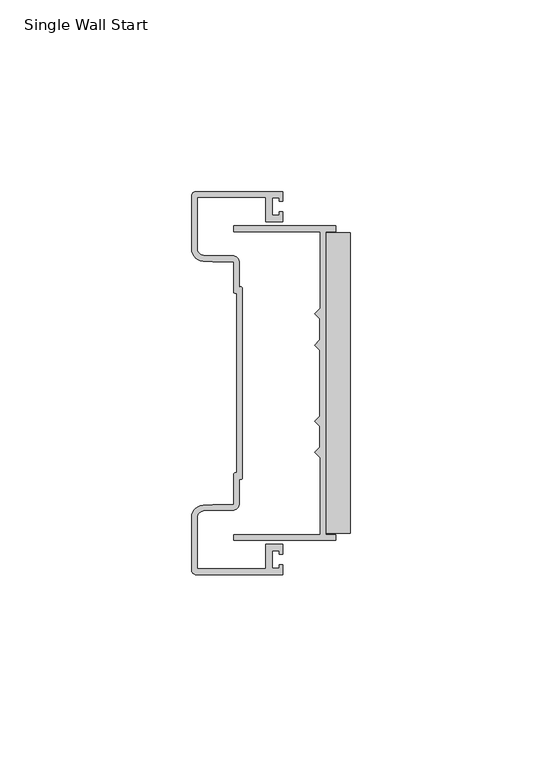
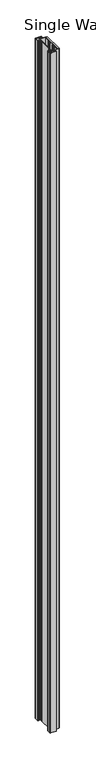
"""IFC4 building model written with IfcOpenShell, lengths in millimetres: proxy geometry, Single Wall Start."""

import ifcopenshell
import ifcopenshell.guid

model = None  # the IFC model being written
_history = None  # IfcOwnerHistory: only IFC2X3 demands one
_inside = {}  # id of a spatial element -> (the spatial element, [elements in it])
_under = {}  # id of a project, library or spatial element -> (it, [spatial elements below it])
_declared = {}  # id of a project -> (the project, [libraries it declares])
_typed = {}  # id of a type object -> (the type object, [elements of that type])
_made_of = {}  # id of a material, layer set ... -> (it, [elements and type objects made of it])


def new_model(schema):
    """Start an empty IFC model of exactly this schema.

    Asked for "IFC4X3", IfcOpenShell would pick the latest addendum, in which some entities
    have other attributes; the version numbers below select the first issue.
    IFC2X3 requires an IfcOwnerHistory on every rooted entity: one is made here for all.
    """
    global model, _history
    if schema == "IFC4X3":
        model = ifcopenshell.file(schema_version=(4, 3, 0, 0))
    else:
        model = ifcopenshell.file(schema=schema)
    _inside.clear()
    _under.clear()
    _declared.clear()
    _typed.clear()
    _made_of.clear()
    _history = None
    if model.schema == "IFC2X3":
        org = make("IfcOrganization", Name="unknown")
        user = make(
            "IfcPersonAndOrganization",
            ThePerson=make("IfcPerson", FamilyName="unknown"),
            TheOrganization=org,
        )
        app = make(
            "IfcApplication",
            ApplicationDeveloper=org,
            Version="unknown",
            ApplicationFullName="unknown",
            ApplicationIdentifier="unknown",
        )
        _history = make(
            "IfcOwnerHistory",
            OwningUser=user,
            OwningApplication=app,
            ChangeAction="ADDED",
            CreationDate=0,
        )
    return model


def make(cls, **values):
    """One entity of the class cls with the attributes given. An attribute that is None is left unset."""
    return model.create_entity(
        cls, **{name: value for name, value in values.items() if value is not None}
    )


def rooted(cls, **values):
    """An entity with a GlobalId (a new one), such as an element, a storey or a relation."""
    return make(cls, GlobalId=ifcopenshell.guid.new(), OwnerHistory=_history, **values)


def si_unit(unit_type, name, prefix=None):
    """IfcSIUnit, for example si_unit("LENGTHUNIT", "METRE", prefix="MILLI")."""
    return make("IfcSIUnit", UnitType=unit_type, Prefix=prefix, Name=name)


def assignment(units):
    """IfcUnitAssignment: the units of a project."""
    return None if units is None else make("IfcUnitAssignment", Units=units)


def point(xyz):
    """IfcCartesianPoint."""
    return None if xyz is None else make("IfcCartesianPoint", Coordinates=xyz)


def direction(xyz):
    """IfcDirection."""
    return None if xyz is None else make("IfcDirection", DirectionRatios=xyz)


def frame(location, z_axis=None, x_axis=None):
    """IfcAxis2Placement3D, a coordinate frame: its origin and axes. An axis left out is left unset."""
    return make(
        "IfcAxis2Placement3D",
        Location=point(location),
        Axis=direction(z_axis),
        RefDirection=direction(x_axis),
    )


def origin():
    """The frame at (0, 0, 0) with its axes left unset."""
    return frame((0.0, 0.0, 0.0))


def origin_with_axes():
    """The frame at (0, 0, 0) with the z axis (0, 0, 1) and the x axis (1, 0, 0) written out."""
    return frame((0.0, 0.0, 0.0), z_axis=(0.0, 0.0, 1.0), x_axis=(1.0, 0.0, 0.0))


def place(relative_to, where):
    """IfcLocalPlacement: puts the frame where relative to a parent placement (None: the world)."""
    return make(
        "IfcLocalPlacement", PlacementRelTo=relative_to, RelativePlacement=where
    )


def context(
    kind, dimensions, precision=None, world=None, true_north=None, identifier=None
):
    """IfcGeometricRepresentationContext, for example the 3D "Model" context."""
    return make(
        "IfcGeometricRepresentationContext",
        ContextIdentifier=identifier,
        ContextType=kind,
        CoordinateSpaceDimension=dimensions,
        Precision=precision,
        WorldCoordinateSystem=world,
        TrueNorth=true_north,
    )


def project(units=None, contexts=None):
    """IfcProject with its units and contexts."""
    return rooted(
        "IfcProject",
        Name="project",
        RepresentationContexts=contexts,
        UnitsInContext=assignment(units),
    )


def spatial(cls, under=None, at=None, **own):
    """A site, building, storey or space (cls), placed at a placement, below another one or the project."""
    s = rooted(cls, ObjectPlacement=at, **own)
    if under is not None:
        _under.setdefault(under.id(), (under, []))[1].append(s)
    return s


def polyline(points):
    """IfcPolyline through the points."""
    return make("IfcPolyline", Points=[point(p) for p in points])


def circle_curve(where, radius):
    """IfcCircle in the frame where."""
    return make("IfcCircle", Position=where, Radius=radius)


def outline(outer, holes=None, kind="AREA"):
    """IfcArbitraryClosedProfileDef: a profile drawn as a closed curve; with holes, ...WithVoids."""
    if holes is None:
        return make("IfcArbitraryClosedProfileDef", ProfileType=kind, OuterCurve=outer)
    return make(
        "IfcArbitraryProfileDefWithVoids",
        ProfileType=kind,
        OuterCurve=outer,
        InnerCurves=holes,
    )


def extrude(swept, where, along, depth):
    """IfcExtrudedAreaSolid: the profile swept, set in the frame where, extruded along a direction by depth."""
    return make(
        "IfcExtrudedAreaSolid",
        SweptArea=swept,
        Position=where,
        ExtrudedDirection=direction(along),
        Depth=depth,
    )


def faces_of(points, faces, orient=None, outer=None):
    """IfcFace entities. A face is a list of loops; a loop is a list of indices into points, from 0.

    orient and outer hold one flag for each loop. By default every Orientation is true, the
    first loop of a face is its IfcFaceOuterBound and the others are IfcFaceBound.
    """
    made = []
    for i, loops in enumerate(faces):
        bounds = []
        for j, loop in enumerate(loops):
            is_outer = j == 0 if outer is None else outer[i][j]
            bounds.append(
                make(
                    "IfcFaceOuterBound" if is_outer else "IfcFaceBound",
                    Bound=make("IfcPolyLoop", Polygon=[points[k] for k in loop]),
                    Orientation=True if orient is None else orient[i][j],
                )
            )
        made.append(make("IfcFace", Bounds=bounds))
    return made


def faceted_brep(points, faces, orient=None, outer=None, voids=None):
    """IfcFacetedBrep: a solid bounded by flat faces; with voids (closed shells), ...WithVoids."""
    shared = [point(p) for p in points]
    hull = make("IfcClosedShell", CfsFaces=faces_of(shared, faces, orient, outer))
    if voids is None:
        return make("IfcFacetedBrep", Outer=hull)
    return make(
        "IfcFacetedBrepWithVoids",
        Outer=hull,
        Voids=[
            make(cls, CfsFaces=faces_of(shared, fs, o, b)) for cls, fs, o, b in voids
        ],
    )


def shape(context_of_items, identifier, shape_type, items):
    """IfcShapeRepresentation: the items that make up one representation, for example the "Body"."""
    return make(
        "IfcShapeRepresentation",
        ContextOfItems=context_of_items,
        RepresentationIdentifier=identifier,
        RepresentationType=shape_type,
        Items=items,
    )


def source(mapping_origin, context_of_items, identifier, shape_type, items):
    """IfcRepresentationMap: a shape defined once, which mapped items show again and again."""
    return make(
        "IfcRepresentationMap",
        MappingOrigin=mapping_origin,
        MappedRepresentation=shape(context_of_items, identifier, shape_type, items),
    )


def transform(
    local_origin,
    x_axis=None,
    y_axis=None,
    z_axis=None,
    scale=None,
    scale2=None,
    scale3=None,
    uniform=True,
):
    """IfcCartesianTransformationOperator3D, or its non-uniform kind. x_axis, y_axis, z_axis: its Axis1, 2, 3."""
    if uniform:
        return make(
            "IfcCartesianTransformationOperator3D",
            Axis1=direction(x_axis),
            Axis2=direction(y_axis),
            LocalOrigin=point(local_origin),
            Scale=scale,
            Axis3=direction(z_axis),
        )
    return make(
        "IfcCartesianTransformationOperator3DnonUniform",
        Axis1=direction(x_axis),
        Axis2=direction(y_axis),
        LocalOrigin=point(local_origin),
        Scale=scale,
        Axis3=direction(z_axis),
        Scale2=scale2,
        Scale3=scale3,
    )


def mapped(mapping_source, mapping_target):
    """IfcMappedItem: shows the shape of a source again, moved by a transform."""
    return make(
        "IfcMappedItem", MappingSource=mapping_source, MappingTarget=mapping_target
    )


def made_of(thing, what):
    """Note that an element or type object is made of a material, layer set ...; save() writes the relation."""
    if what is not None:
        _made_of.setdefault(what.id(), (what, []))[1].append(thing)
    return thing


def element(
    cls,
    number,
    at=None,
    inside=None,
    cuts=None,
    type_object=None,
    material=None,
    context=None,
    identifier="Body",
    shape_type=None,
    held_by="IfcProductDefinitionShape",
    body=None,
    shapes=None,
    **own,
):
    """One element of the class cls, such as IfcWall. Its Tag is "e" and its number.

    at: its placement. inside: the storey or other place that contains it. cuts: it is an
    opening in that element (IfcRelVoidsElement). A single representation is given by context,
    identifier, shape_type and body (its items); several are given by shapes. held_by: the class
    of the entity that holds the representations. save() writes the other relations.
    """
    e = rooted(cls, Tag="e%d" % number, ObjectPlacement=at, **own)
    if body is not None:
        shapes = [shape(context, identifier, shape_type, body)]
    if shapes is not None:
        e.Representation = make(held_by, Representations=shapes)
    if inside is not None:
        _inside.setdefault(inside.id(), (inside, []))[1].append(e)
    if cuts is not None:
        rooted(
            "IfcRelVoidsElement", RelatingBuildingElement=cuts, RelatedOpeningElement=e
        )
    if type_object is not None:
        _typed.setdefault(type_object.id(), (type_object, []))[1].append(e)
    return made_of(e, material)


def aggregate(whole, parts):
    """IfcRelAggregates: a whole, such as a stair, and the parts it consists of."""
    return rooted("IfcRelAggregates", RelatingObject=whole, RelatedObjects=parts)


def save(model, path):
    """Write the relations noted so far, then the file.

    IfcRelAggregates (storeys below a building ...), IfcRelContainedInSpatialStructure (elements
    in a storey), IfcRelDefinesByType, IfcRelAssociatesMaterial and IfcRelDeclares: one each for
    every whole, place, type object, material and project.
    """
    for whole, parts in _under.values():
        aggregate(whole, parts)
    for where, things in _inside.values():
        rooted(
            "IfcRelContainedInSpatialStructure",
            RelatedElements=things,
            RelatingStructure=where,
        )
    for kind, things in _typed.values():
        rooted("IfcRelDefinesByType", RelatedObjects=things, RelatingType=kind)
    for what, things in _made_of.values():
        rooted("IfcRelAssociatesMaterial", RelatedObjects=things, RelatingMaterial=what)
    for by, libraries in _declared.values():
        rooted("IfcRelDeclares", RelatingContext=by, RelatedDefinitions=libraries)
    model.write(path)


def plane_surface(at):
    """IfcPlane: the flat surface through the origin of the frame at, square to its z axis."""
    return make("IfcPlane", Position=at)


def cylinder_surface(at, radius):
    """IfcCylindricalSurface: all points at the distance radius from the z axis of the frame at."""
    return make("IfcCylindricalSurface", Position=at, Radius=radius)


def revolved_surface(curve, axis_point, axis_direction):
    """IfcSurfaceOfRevolution: the curve turned about the line through axis_point along axis_direction."""
    return make(
        "IfcSurfaceOfRevolution",
        SweptCurve=make("IfcArbitraryOpenProfileDef", ProfileType="CURVE", Curve=curve),
        AxisPosition=make("IfcAxis1Placement", Location=point(axis_point), Axis=direction(axis_direction)),
    )


def advanced_brep(points, edges, surfaces, faces):
    """IfcAdvancedBrep: a solid bounded by faces that lie on surfaces and meet in shared edges.

    An edge is (start, end): straight between two places in points (the first is 0);
    or (start, end, curve); or (start, end, curve, False) where it runs against its curve.
    A face is (place in surfaces, loops), or (place, loops, False) where it looks against
    its surface's normal. A loop lists edges by number (the first is 1), with a minus sign
    where the edge is run from its end to its start. The first loop is the outer one.
    """
    corners = [point(p) for p in points]
    vertices = [make("IfcVertexPoint", VertexGeometry=c) for c in corners]
    made = []
    for start, end, *more in edges:
        made.append(
            make(
                "IfcEdgeCurve",
                EdgeStart=vertices[start],
                EdgeEnd=vertices[end],
                EdgeGeometry=more[0] if more else make("IfcPolyline", Points=[corners[start], corners[end]]),
                SameSense=more[1] if len(more) > 1 else True,
            )
        )
    hull = []
    for where, loops, *sense in faces:
        bounds = []
        for j, loop in enumerate(loops):
            ring = [make("IfcOrientedEdge", EdgeElement=made[abs(k) - 1], Orientation=k > 0) for k in loop]
            bounds.append(
                make(
                    "IfcFaceOuterBound" if j == 0 else "IfcFaceBound",
                    Bound=make("IfcEdgeLoop", EdgeList=ring),
                    Orientation=True,
                )
            )
        hull.append(make("IfcAdvancedFace", Bounds=bounds, FaceSurface=surfaces[where], SameSense=sense[0] if sense else True))
    return make("IfcAdvancedBrep", Outer=make("IfcClosedShell", CfsFaces=hull))


def single_wall_start_cac659fe(model_context):
    return source(origin(), model_context, "Body", "SolidModel", [
        faceted_brep([(13.6393292, 41.0591035, 2743.2), (-13.0348006, 41.0591035, 2743.2), (-13.0348006, 39.5350959, 2743.2), (9.5712006, 39.5350959, 2743.2), (9.5712006, 19.5261519, 2743.2), (8.1107021, 18.0656484, 2743.2), (9.4442006, 16.73215, 2743.2), (9.4442006, 11.2711507, 2743.2), (8.1106995, 9.9376497, 2743.2), (9.4442006, 8.6041487, 2743.2), (9.4442006, -8.6041487, 2743.2), (8.1106995, -9.9376497, 2743.2), (9.4442006, -11.2711507, 2743.2), (9.4442006, -16.73215, 2743.2), (8.1107021, -18.0656484, 2743.2), (9.5712006, -19.5261519, 2743.2), (9.5712006, -39.5350959, 2743.2), (-13.0348006, -39.5350959, 2743.2), (-13.0348006, -41.0591035, 2743.2), (13.6393292, -41.0591035, 2743.2), (13.6393292, -39.5350959, 2743.2), (11.0952006, -39.5350959, 2743.2), (11.0952006, 39.5350959, 2743.2), (13.6393292, 39.5350959, 2743.2), (13.6393292, 41.0591035, 0.0), (13.6393292, 39.5350959, 0.0), (11.0952006, 39.5350959, 0.0), (11.0952006, -39.5350959, 0.0), (13.6393292, -39.5350959, 0.0), (13.6393292, -41.0591035, 0.0), (-13.0348006, -41.0591035, 0.0), (-13.0348006, -39.5350959, 0.0), (9.5712006, -39.5350959, 0.0), (9.5712006, -19.5261519, 0.0), (8.1107021, -18.0656484, 0.0), (9.4442006, -16.73215, 0.0), (9.4442006, -11.2711507, 0.0), (8.1106995, -9.9376497, 0.0), (9.4442006, -8.6041487, 0.0), (9.4442006, 8.6041487, 0.0), (8.1106995, 9.9376497, 0.0), (9.4442006, 11.2711507, 0.0), (9.4442006, 16.73215, 0.0), (8.1107021, 18.0656484, 0.0), (9.5712006, 19.5261519, 0.0), (9.5712006, 39.5350959, 0.0), (-13.0348006, 39.5350959, 0.0), (-13.0348006, 41.0591035, 0.0)], [[[0, 1, 2, 3, 4, 5, 6, 7, 8, 9, 10, 11, 12, 13, 14, 15, 16, 17, 18, 19, 20, 21, 22, 23]], [[24, 25, 26, 27, 28, 29, 30, 31, 32, 33, 34, 35, 36, 37, 38, 39, 40, 41, 42, 43, 44, 45, 46, 47]], [[23, 22, 26, 25]], [[0, 23, 25, 24]], [[1, 0, 24, 47]], [[2, 1, 47, 46]], [[3, 2, 46, 45]], [[4, 3, 45, 44]], [[5, 4, 44, 43]], [[6, 5, 43, 42]], [[7, 6, 42, 41]], [[8, 7, 41, 40]], [[9, 8, 40, 39]], [[10, 9, 39, 38]], [[11, 10, 38, 37]], [[12, 11, 37, 36]], [[13, 12, 36, 35]], [[14, 13, 35, 34]], [[15, 14, 34, 33]], [[16, 15, 33, 32]], [[17, 16, 32, 31]], [[18, 17, 31, 30]], [[19, 18, 30, 29]], [[20, 19, 29, 28]], [[21, 20, 28, 27]], [[22, 21, 27, 26]]]),
        advanced_brep(
        [(-22.7330004, 50.00625, 2743.2), (-24.0029992, 48.7362512, 2743.2), (-24.0029992, 35.0169033, 2743.2), (-20.9941667, 31.8462484, 2743.2), (-18.5165995, 31.7181494, 2743.2), (-13.0047993, 31.7181494, 2743.2), (-13.0047993, 23.8822496, 2743.2), (-12.2428, 23.5012499, 2743.2), (-12.2428, -23.5012499, 2743.2), (-13.0047993, -23.8822496, 2743.2), (-13.0047993, -31.7181494, 2743.2), (-18.5165995, -31.7181494, 2743.2), (-20.9941667, -31.8462484, 2743.2), (-24.0029992, -35.0169033, 2743.2), (-24.0029992, -48.7362512, 2743.2), (-22.7330004, -50.00625, 2743.2), (-0.1904992, -50.00625, 2743.2), (-0.1904992, -47.4662524, 2743.2), (-1.1647474, -47.4662524, 2743.2), (-1.1647474, -48.3552516, 2743.2), (-2.9845, -48.3552516, 2743.2), (-2.9845, -43.7867199, 2743.2), (-1.1647474, -43.7867199, 2743.2), (-1.1647474, -44.675719, 2743.2), (-0.1904992, -44.675719, 2743.2), (-0.1904992, -42.1322484, 2743.2), (-4.6354995, -42.1322484, 2743.2), (-4.6354995, -48.4822515, 2743.2), (-22.4790007, -48.4822515, 2743.2), (-22.4790007, -35.0168937, 2743.2), (-20.9144069, -33.3681576, 2743.2), (-18.5099479, -33.2421479, 2743.2), (-13.3857989, -33.2421479, 2743.2), (-11.4807988, -31.3371478, 2743.2), (-11.4807985, -25.0252485, 2743.2), (-10.7187992, -24.6442488, 2743.2), (-10.7187992, 24.6442488, 2743.2), (-11.4807985, 25.0252485, 2743.2), (-11.4807985, 31.3371478, 2743.2), (-13.3857989, 33.2421479, 2743.2), (-18.5099479, 33.2421479, 2743.2), (-20.9144069, 33.3681576, 2743.2), (-22.4790007, 35.0168937, 2743.2), (-22.4790007, 48.4822515, 2743.2), (-4.6354995, 48.4822515, 2743.2), (-4.6354995, 42.1322484, 2743.2), (-0.1904992, 42.1322484, 2743.2), (-0.1904992, 44.675719, 2743.2), (-1.1647474, 44.675719, 2743.2), (-1.1647474, 43.7867199, 2743.2), (-2.9845, 43.7867199, 2743.2), (-2.9845, 48.3552516, 2743.2), (-1.1647474, 48.3552516, 2743.2), (-1.1647474, 47.4662524, 2743.2), (-0.1904992, 47.4662524, 2743.2), (-0.1904992, 50.00625, 2743.2), (-22.7330004, 50.00625, 0.0), (-0.1904992, 50.00625, 0.0), (-0.1904992, 47.4662524, 0.0), (-1.1647474, 47.4662524, 0.0), (-1.1647474, 48.3552516, 0.0), (-2.9845, 48.3552516, 0.0), (-2.9845, 43.7867199, 0.0), (-1.1647474, 43.7867199, 0.0), (-1.1647474, 44.675719, 0.0), (-0.1904992, 44.675719, 0.0), (-0.1904992, 42.1322484, 0.0), (-4.6354995, 42.1322484, 0.0), (-4.6354995, 48.4822515, 0.0), (-22.4790007, 48.4822515, 0.0), (-22.4790007, 35.0168937, 0.0), (-20.9144069, 33.3681576, 0.0), (-18.5099479, 33.2421479, 0.0), (-13.3857989, 33.2421479, 0.0), (-11.4807988, 31.3371478, 0.0), (-11.4807985, 25.0252485, 0.0), (-10.7187992, 24.6442488, 0.0), (-10.7187992, -24.6442488, 0.0), (-11.4807985, -25.0252485, 0.0), (-11.4807985, -31.3371478, 0.0), (-13.3857989, -33.2421479, 0.0), (-18.5099479, -33.2421479, 0.0), (-20.9144069, -33.3681576, 0.0), (-22.4790007, -35.0168937, 0.0), (-22.4790007, -48.4822515, 0.0), (-4.6354995, -48.4822515, 0.0), (-4.6354995, -42.1322484, 0.0), (-0.1904992, -42.1322484, 0.0), (-0.1904992, -44.675719, 0.0), (-1.1647474, -44.675719, 0.0), (-1.1647474, -43.7867199, 0.0), (-2.9845, -43.7867199, 0.0), (-2.9845, -48.3552516, 0.0), (-1.1647474, -48.3552516, 0.0), (-1.1647474, -47.4662524, 0.0), (-0.1904992, -47.4662524, 0.0), (-0.1904992, -50.00625, 0.0), (-22.7330004, -50.00625, 0.0), (-24.0029992, -48.7362512, 0.0), (-24.0029992, -35.0169033, 0.0), (-20.9941667, -31.8462484, 0.0), (-18.5165995, -31.7181494, 0.0), (-13.0047993, -31.7181494, 0.0), (-13.0047993, -23.8822496, 0.0), (-12.2428, -23.5012499, 0.0), (-12.2428, 23.5012499, 0.0), (-13.0047993, 23.8822496, 0.0), (-13.0047993, 31.7181494, 0.0), (-18.5165995, 31.7181494, 0.0), (-20.9941667, 31.8462484, 0.0), (-24.0029992, 35.0169033, 0.0), (-24.0029992, 48.7362512, 0.0)],
        [
            (0, 1, circle_curve(frame((-22.7330004, 48.7362512, 2743.2), z_axis=(0.0, 0.0, 1.0), x_axis=(0.0, -1.0, 0.0)), 1.2699988)),
            (1, 2),
            (2, 3, circle_curve(frame((-20.721501, 35.11796, 2743.2), z_axis=(0.0, 0.0, 1.0), x_axis=(0.0, -1.0, 0.0)), 3.283054)),
            (3, 4),
            (4, 5),
            (5, 6),
            (6, 7, circle_curve(frame((-12.5285497, 23.8822496, 2743.2), z_axis=(0.0, 0.0, 1.0), x_axis=(0.0, -1.0, 0.0)), 0.4762495)),
            (7, 8),
            (8, 9, circle_curve(frame((-12.5285497, -23.8822496, 2743.2), z_axis=(0.0, 0.0, 1.0), x_axis=(0.0, -1.0, 0.0)), 0.4762495)),
            (9, 10),
            (10, 11),
            (11, 12),
            (12, 13, circle_curve(frame((-20.721501, -35.11796, 2743.2), z_axis=(0.0, 0.0, 1.0), x_axis=(0.0, -1.0, 0.0)), 3.283054)),
            (13, 14),
            (14, 15, circle_curve(frame((-22.7330004, -48.7362512, 2743.2), z_axis=(0.0, 0.0, 1.0), x_axis=(0.0, -1.0, 0.0)), 1.2699988)),
            (15, 16),
            (16, 17),
            (17, 18),
            (18, 19),
            (19, 20),
            (20, 21),
            (21, 22),
            (22, 23),
            (23, 24),
            (24, 25),
            (25, 26),
            (26, 27),
            (27, 28),
            (28, 29),
            (29, 30, circle_curve(frame((-20.8280021, -35.0168937, 2743.2), z_axis=(0.0, 0.0, -1.0), x_axis=(0.0, -1.0, 0.0)), 1.6509986)),
            (30, 31),
            (31, 32),
            (32, 33, circle_curve(frame((-13.3857989, -31.3371478, 2743.2), z_axis=(0.0, 0.0, 1.0), x_axis=(0.0, -1.0, 0.0)), 1.9050001)),
            (33, 34),
            (34, 35, circle_curve(frame((-11.1950487, -24.6442488, 2743.2), z_axis=(0.0, 0.0, 1.0), x_axis=(0.0, -1.0, 0.0)), 0.4762495)),
            (35, 36),
            (36, 37, circle_curve(frame((-11.1950487, 24.6442488, 2743.2), z_axis=(0.0, 0.0, 1.0), x_axis=(0.0, -1.0, 0.0)), 0.4762495)),
            (37, 38),
            (38, 39, circle_curve(frame((-13.3857989, 31.3371478, 2743.2), z_axis=(0.0, 0.0, 1.0), x_axis=(0.0, -1.0, 0.0)), 1.9050001)),
            (39, 40),
            (40, 41),
            (41, 42, circle_curve(frame((-20.8280021, 35.0168937, 2743.2), z_axis=(0.0, 0.0, -1.0), x_axis=(0.0, -1.0, 0.0)), 1.6509986)),
            (42, 43),
            (43, 44),
            (44, 45),
            (45, 46),
            (46, 47),
            (47, 48),
            (48, 49),
            (49, 50),
            (50, 51),
            (51, 52),
            (52, 53),
            (53, 54),
            (54, 55),
            (55, 0),
            (56, 57),
            (57, 58),
            (58, 59),
            (59, 60),
            (60, 61),
            (61, 62),
            (62, 63),
            (63, 64),
            (64, 65),
            (65, 66),
            (66, 67),
            (67, 68),
            (68, 69),
            (69, 70),
            (70, 71, circle_curve(frame((-20.8280021, 35.0168937, 0.0), z_axis=(0.0, 0.0, 1.0), x_axis=(0.0, -1.0, 0.0)), 1.6509986)),
            (71, 72),
            (72, 73),
            (73, 74, circle_curve(frame((-13.3857989, 31.3371478, 0.0), z_axis=(0.0, 0.0, -1.0), x_axis=(0.0, -1.0, 0.0)), 1.9050001)),
            (74, 75),
            (75, 76, circle_curve(frame((-11.1950487, 24.6442488, 0.0), z_axis=(0.0, 0.0, -1.0), x_axis=(0.0, -1.0, 0.0)), 0.4762495)),
            (76, 77),
            (77, 78, circle_curve(frame((-11.1950487, -24.6442488, 0.0), z_axis=(0.0, 0.0, -1.0), x_axis=(0.0, -1.0, 0.0)), 0.4762495)),
            (78, 79),
            (79, 80, circle_curve(frame((-13.3857989, -31.3371478, 0.0), z_axis=(0.0, 0.0, -1.0), x_axis=(0.0, -1.0, 0.0)), 1.9050001)),
            (80, 81),
            (81, 82),
            (82, 83, circle_curve(frame((-20.8280021, -35.0168937, 0.0), z_axis=(0.0, 0.0, 1.0), x_axis=(0.0, -1.0, 0.0)), 1.6509986)),
            (83, 84),
            (84, 85),
            (85, 86),
            (86, 87),
            (87, 88),
            (88, 89),
            (89, 90),
            (90, 91),
            (91, 92),
            (92, 93),
            (93, 94),
            (94, 95),
            (95, 96),
            (96, 97),
            (97, 98, circle_curve(frame((-22.7330004, -48.7362512, 0.0), z_axis=(0.0, 0.0, -1.0), x_axis=(0.0, -1.0, 0.0)), 1.2699988)),
            (98, 99),
            (99, 100, circle_curve(frame((-20.721501, -35.11796, 0.0), z_axis=(0.0, 0.0, -1.0), x_axis=(0.0, -1.0, 0.0)), 3.283054)),
            (100, 101),
            (101, 102),
            (102, 103),
            (103, 104, circle_curve(frame((-12.5285497, -23.8822496, 0.0), z_axis=(0.0, 0.0, -1.0), x_axis=(0.0, -1.0, 0.0)), 0.4762495)),
            (104, 105),
            (105, 106, circle_curve(frame((-12.5285497, 23.8822496, 0.0), z_axis=(0.0, 0.0, -1.0), x_axis=(0.0, -1.0, 0.0)), 0.4762495)),
            (106, 107),
            (107, 108),
            (108, 109),
            (109, 110, circle_curve(frame((-20.721501, 35.11796, 0.0), z_axis=(0.0, 0.0, -1.0), x_axis=(0.0, -1.0, 0.0)), 3.283054)),
            (110, 111),
            (111, 56, circle_curve(frame((-22.7330004, 48.7362512, 0.0), z_axis=(0.0, 0.0, -1.0), x_axis=(0.0, -1.0, 0.0)), 1.2699988)),
            (1, 111),
            (110, 2),
            (55, 57),
            (56, 0),
            (109, 3),
            (108, 4),
            (107, 5),
            (106, 6),
            (105, 7),
            (104, 8),
            (103, 9),
            (102, 10),
            (101, 11),
            (100, 12),
            (99, 13),
            (98, 14),
            (97, 15),
            (96, 16),
            (95, 17),
            (94, 18),
            (93, 19),
            (92, 20),
            (91, 21),
            (90, 22),
            (89, 23),
            (88, 24),
            (87, 25),
            (86, 26),
            (85, 27),
            (84, 28),
            (83, 29),
            (82, 30),
            (81, 31),
            (80, 32),
            (79, 33),
            (78, 34),
            (77, 35),
            (76, 36),
            (75, 37),
            (74, 38),
            (73, 39),
            (72, 40),
            (71, 41),
            (70, 42),
            (69, 43),
            (68, 44),
            (67, 45),
            (66, 46),
            (65, 47),
            (64, 48),
            (63, 49),
            (62, 50),
            (61, 51),
            (60, 52),
            (59, 53),
            (58, 54),
        ],
        [
            plane_surface(frame((0.0, 0.0, 2743.2), z_axis=(0.0, 0.0, 1.0), x_axis=(0.0, -1.0, 0.0))),
            plane_surface(frame((0.0, 0.0, 0.0), z_axis=(0.0, 0.0, -1.0), x_axis=(0.0, -1.0, 0.0))),
            plane_surface(frame((-24.0029992, 48.7362512, 2743.2), z_axis=(-1.0, 0.0, 0.0), x_axis=(0.0, 0.0, -1.0))),
            plane_surface(frame((-0.1904992, 50.00625, 2743.2), z_axis=(0.0, 1.0, 0.0), x_axis=(0.0, 0.0, -1.0))),
            cylinder_surface(frame((-22.7330004, 48.7362512, 2743.2), z_axis=(0.0, 0.0, 1.0), x_axis=(0.0, -1.0, 0.0)), 1.2699988),
            cylinder_surface(frame((-20.721501, 35.11796, 2743.2), z_axis=(0.0, 0.0, 1.0), x_axis=(0.0, -1.0, 0.0)), 3.283054),
            plane_surface(frame((-20.9941667, 31.8462484, 2743.2), z_axis=(-0.05163457587428459, -0.9986660455699307, 0.0), x_axis=(0.0, 0.0, -1.0))),
            plane_surface(frame((-18.5165995, 31.7181494, 2743.2), z_axis=(0.0, -1.0, 0.0), x_axis=(0.0, 0.0, -1.0))),
            plane_surface(frame((-13.0047993, 31.7181494, 2743.2), z_axis=(-1.0, 0.0, 0.0), x_axis=(0.0, 0.0, -1.0))),
            cylinder_surface(frame((-12.5285497, 23.8822496, 2743.2), z_axis=(0.0, 0.0, 1.0), x_axis=(0.0, -1.0, 0.0)), 0.4762495),
            plane_surface(frame((-12.2428, 23.5012499, 2743.2), z_axis=(-1.0, 0.0, 0.0), x_axis=(0.0, 0.0, -1.0))),
            cylinder_surface(frame((-12.5285497, -23.8822496, 2743.2), z_axis=(0.0, 0.0, 1.0), x_axis=(0.0, -1.0, 0.0)), 0.4762495),
            plane_surface(frame((-13.0047993, -23.8822496, 2743.2), z_axis=(-1.0, 0.0, 0.0), x_axis=(0.0, 0.0, -1.0))),
            plane_surface(frame((-13.0047993, -31.7181494, 2743.2), z_axis=(0.0, 1.0, 0.0), x_axis=(0.0, 0.0, -1.0))),
            plane_surface(frame((-18.5165995, -31.7181494, 2743.2), z_axis=(-0.05163457587428459, 0.9986660455699307, 0.0), x_axis=(0.0, 0.0, -1.0))),
            cylinder_surface(frame((-20.721501, -35.11796, 2743.2), z_axis=(0.0, 0.0, 1.0), x_axis=(0.0, -1.0, 0.0)), 3.283054),
            plane_surface(frame((-24.0029992, -35.0169033, 2743.2), z_axis=(-1.0, 0.0, 0.0), x_axis=(0.0, 0.0, -1.0))),
            cylinder_surface(frame((-22.7330004, -48.7362512, 2743.2), z_axis=(0.0, 0.0, 1.0), x_axis=(0.0, -1.0, 0.0)), 1.2699988),
            plane_surface(frame((-22.7330004, -50.00625, 2743.2), z_axis=(0.0, -1.0, 0.0), x_axis=(0.0, 0.0, -1.0))),
            plane_surface(frame((-0.1904992, -50.00625, 2743.2), z_axis=(1.0, 0.0, 0.0), x_axis=(0.0, 0.0, -1.0))),
            plane_surface(frame((-0.1904992, -47.4662524, 2743.2), z_axis=(0.0, 1.0, 0.0), x_axis=(0.0, 0.0, -1.0))),
            plane_surface(frame((-1.1647474, -47.4662524, 2743.2), z_axis=(-1.0, 0.0, 0.0), x_axis=(0.0, 0.0, -1.0))),
            plane_surface(frame((-1.1647474, -48.3552516, 2743.2), z_axis=(0.0, 1.0, 0.0), x_axis=(0.0, 0.0, -1.0))),
            plane_surface(frame((-2.9845, -48.3552516, 2743.2), z_axis=(1.0, 0.0, 0.0), x_axis=(0.0, 0.0, -1.0))),
            plane_surface(frame((-2.9845, -43.7867199, 2743.2), z_axis=(0.0, -1.0, 0.0), x_axis=(0.0, 0.0, -1.0))),
            plane_surface(frame((-1.1647474, -43.7867199, 2743.2), z_axis=(-1.0, 0.0, 0.0), x_axis=(0.0, 0.0, -1.0))),
            plane_surface(frame((-1.1647474, -44.675719, 2743.2), z_axis=(0.0, -1.0, 0.0), x_axis=(0.0, 0.0, -1.0))),
            plane_surface(frame((-0.1904992, -44.675719, 2743.2), z_axis=(1.0, 0.0, 0.0), x_axis=(0.0, 0.0, -1.0))),
            plane_surface(frame((-0.1904992, -42.1322484, 2743.2), z_axis=(0.0, 1.0, 0.0), x_axis=(0.0, 0.0, -1.0))),
            plane_surface(frame((-4.6354995, -42.1322484, 2743.2), z_axis=(-1.0, 0.0, 0.0), x_axis=(0.0, 0.0, -1.0))),
            plane_surface(frame((-4.6354995, -48.4822515, 2743.2), z_axis=(0.0, 1.0, 0.0), x_axis=(0.0, 0.0, -1.0))),
            plane_surface(frame((-22.4790007, -48.4822515, 2743.2), z_axis=(1.0, 0.0, 0.0), x_axis=(0.0, 0.0, -1.0))),
            revolved_surface(polyline([(-20.8280021, -36.6678923, 0.0), (-20.8280021, -36.6678923, 2743.2)]), (-20.8280021, -35.0168937, 2743.2), (0.0, 0.0, -1.0)),
            plane_surface(frame((-20.9144069, -33.3681576, 2743.2), z_axis=(0.0523348773153234, -0.9986295912981901, 0.0), x_axis=(0.0, 0.0, -1.0))),
            plane_surface(frame((-18.5099479, -33.2421479, 2743.2), z_axis=(0.0, -1.0, 0.0), x_axis=(0.0, 0.0, -1.0))),
            cylinder_surface(frame((-13.3857989, -31.3371478, 2743.2), z_axis=(0.0, 0.0, 1.0), x_axis=(0.0, -1.0, 0.0)), 1.9050001),
            plane_surface(frame((-11.4807985, -31.3371478, 2743.2), z_axis=(1.0, 0.0, 0.0), x_axis=(0.0, 0.0, -1.0))),
            cylinder_surface(frame((-11.1950487, -24.6442488, 2743.2), z_axis=(0.0, 0.0, 1.0), x_axis=(0.0, -1.0, 0.0)), 0.4762495),
            plane_surface(frame((-10.7187992, -24.6442488, 2743.2), z_axis=(1.0, 0.0, 0.0), x_axis=(0.0, 0.0, -1.0))),
            cylinder_surface(frame((-11.1950487, 24.6442488, 2743.2), z_axis=(0.0, 0.0, 1.0), x_axis=(0.0, -1.0, 0.0)), 0.4762495),
            plane_surface(frame((-11.4807985, 25.0252485, 2743.2), z_axis=(1.0, 0.0, 0.0), x_axis=(0.0, 0.0, -1.0))),
            cylinder_surface(frame((-13.3857989, 31.3371478, 2743.2), z_axis=(0.0, 0.0, 1.0), x_axis=(0.0, -1.0, 0.0)), 1.9050001),
            plane_surface(frame((-13.3857989, 33.2421479, 2743.2), z_axis=(0.0, 1.0, 0.0), x_axis=(0.0, 0.0, -1.0))),
            plane_surface(frame((-18.5099479, 33.2421479, 2743.2), z_axis=(0.0523348773153234, 0.9986295912981901, 0.0), x_axis=(0.0, 0.0, -1.0))),
            revolved_surface(polyline([(-20.8280021, 33.365895099999996, 0.0), (-20.8280021, 33.365895099999996, 2743.2)]), (-20.8280021, 35.0168937, 2743.2), (0.0, 0.0, -1.0)),
            plane_surface(frame((-22.4790007, 35.0168937, 2743.2), z_axis=(1.0, 0.0, 0.0), x_axis=(0.0, 0.0, -1.0))),
            plane_surface(frame((-22.4790007, 48.4822515, 2743.2), z_axis=(0.0, -1.0, 0.0), x_axis=(0.0, 0.0, -1.0))),
            plane_surface(frame((-4.6354995, 48.4822515, 2743.2), z_axis=(-1.0, 0.0, 0.0), x_axis=(0.0, 0.0, -1.0))),
            plane_surface(frame((-4.6354995, 42.1322484, 2743.2), z_axis=(0.0, -1.0, 0.0), x_axis=(0.0, 0.0, -1.0))),
            plane_surface(frame((-0.1904992, 42.1322484, 2743.2), z_axis=(1.0, 0.0, 0.0), x_axis=(0.0, 0.0, -1.0))),
            plane_surface(frame((-0.1904992, 44.675719, 2743.2), z_axis=(0.0, 1.0, 0.0), x_axis=(0.0, 0.0, -1.0))),
            plane_surface(frame((-1.1647474, 44.675719, 2743.2), z_axis=(-1.0, 0.0, 0.0), x_axis=(0.0, 0.0, -1.0))),
            plane_surface(frame((-1.1647474, 43.7867199, 2743.2), z_axis=(0.0, 1.0, 0.0), x_axis=(0.0, 0.0, -1.0))),
            plane_surface(frame((-2.9845, 43.7867199, 2743.2), z_axis=(1.0, 0.0, 0.0), x_axis=(0.0, 0.0, -1.0))),
            plane_surface(frame((-2.9845, 48.3552516, 2743.2), z_axis=(0.0, -1.0, 0.0), x_axis=(0.0, 0.0, -1.0))),
            plane_surface(frame((-1.1647474, 48.3552516, 2743.2), z_axis=(-1.0, 0.0, 0.0), x_axis=(0.0, 0.0, -1.0))),
            plane_surface(frame((-1.1647474, 47.4662524, 2743.2), z_axis=(0.0, -1.0, 0.0), x_axis=(0.0, 0.0, -1.0))),
            plane_surface(frame((-0.1904992, 47.4662524, 2743.2), z_axis=(1.0, 0.0, 0.0), x_axis=(0.0, 0.0, -1.0))),
        ],
        [
            (0, [[1, 2, 3, 4, 5, 6, 7, 8, 9, 10, 11, 12, 13, 14, 15, 16, 17, 18, 19, 20, 21, 22, 23, 24, 25, 26, 27, 28, 29, 30, 31, 32, 33, 34, 35, 36, 37, 38, 39, 40, 41, 42, 43, 44, 45, 46, 47, 48, 49, 50, 51, 52, 53, 54, 55, 56]]),
            (1, [[57, 58, 59, 60, 61, 62, 63, 64, 65, 66, 67, 68, 69, 70, 71, 72, 73, 74, 75, 76, 77, 78, 79, 80, 81, 82, 83, 84, 85, 86, 87, 88, 89, 90, 91, 92, 93, 94, 95, 96, 97, 98, 99, 100, 101, 102, 103, 104, 105, 106, 107, 108, 109, 110, 111, 112]]),
            (2, [[-2, 113, -111, 114]]),
            (3, [[-56, 115, -57, 116]]),
            (4, [[-1, -116, -112, -113]]),
            (5, [[-3, -114, -110, 117]]),
            (6, [[-4, -117, -109, 118]]),
            (7, [[-5, -118, -108, 119]]),
            (8, [[-6, -119, -107, 120]]),
            (9, [[-7, -120, -106, 121]]),
            (10, [[-8, -121, -105, 122]]),
            (11, [[-9, -122, -104, 123]]),
            (12, [[-10, -123, -103, 124]]),
            (13, [[-11, -124, -102, 125]]),
            (14, [[-12, -125, -101, 126]]),
            (15, [[-13, -126, -100, 127]]),
            (16, [[-14, -127, -99, 128]]),
            (17, [[-15, -128, -98, 129]]),
            (18, [[-16, -129, -97, 130]]),
            (19, [[-17, -130, -96, 131]]),
            (20, [[-18, -131, -95, 132]]),
            (21, [[-19, -132, -94, 133]]),
            (22, [[-20, -133, -93, 134]]),
            (23, [[-21, -134, -92, 135]]),
            (24, [[-22, -135, -91, 136]]),
            (25, [[-23, -136, -90, 137]]),
            (26, [[-24, -137, -89, 138]]),
            (27, [[-25, -138, -88, 139]]),
            (28, [[-26, -139, -87, 140]]),
            (29, [[-27, -140, -86, 141]]),
            (30, [[-28, -141, -85, 142]]),
            (31, [[-29, -142, -84, 143]]),
            (32, [[-30, -143, -83, 144]]),
            (33, [[-31, -144, -82, 145]]),
            (34, [[-32, -145, -81, 146]]),
            (35, [[-33, -146, -80, 147]]),
            (36, [[-34, -147, -79, 148]]),
            (37, [[-35, -148, -78, 149]]),
            (38, [[-36, -149, -77, 150]]),
            (39, [[-37, -150, -76, 151]]),
            (40, [[-38, -151, -75, 152]]),
            (41, [[-39, -152, -74, 153]]),
            (42, [[-40, -153, -73, 154]]),
            (43, [[-41, -154, -72, 155]]),
            (44, [[-42, -155, -71, 156]]),
            (45, [[-43, -156, -70, 157]]),
            (46, [[-44, -157, -69, 158]]),
            (47, [[-45, -158, -68, 159]]),
            (48, [[-46, -159, -67, 160]]),
            (49, [[-47, -160, -66, 161]]),
            (50, [[-48, -161, -65, 162]]),
            (51, [[-49, -162, -64, 163]]),
            (52, [[-50, -163, -63, 164]]),
            (53, [[-51, -164, -62, 165]]),
            (54, [[-52, -165, -61, 166]]),
            (55, [[-53, -166, -60, 167]]),
            (56, [[-54, -167, -59, 168]]),
            (57, [[-55, -168, -58, -115]]),
        ],
    ),
        extrude(outline(polyline([(17.4452004, 39.1857531), (17.4452004, -39.1732505), (11.0952006, -39.1732505), (11.0952006, 39.1857531), (17.4452004, 39.1857531)])), origin_with_axes(), (0.0, 0.0, 1.0), 2743.2),
    ])


if __name__ == "__main__":
    model = new_model("IFC4")
    model_context = context("Model", 3, world=origin())
    ifc_project = project(units=[si_unit("LENGTHUNIT", "METRE", prefix="MILLI")], contexts=[model_context])
    site = spatial("IfcSite", under=ifc_project)
    building = spatial("IfcBuilding", under=site)
    placement = place(None, origin())
    single_wall_start_shape = single_wall_start_cac659fe(model_context)
    element("IfcBuildingElementProxy", 1, Name="Single Wall Start", ObjectType="Single Wall Start", at=placement, inside=building, context=model_context, shape_type="MappedRepresentation", body=[
        mapped(single_wall_start_shape, transform((0.0, 0.0, 0.0), x_axis=(1.0, 0.0, 0.0), y_axis=(0.0, 1.0, 0.0), z_axis=(0.0, 0.0, 1.0))),
    ])
    save(model, "model.ifc")
